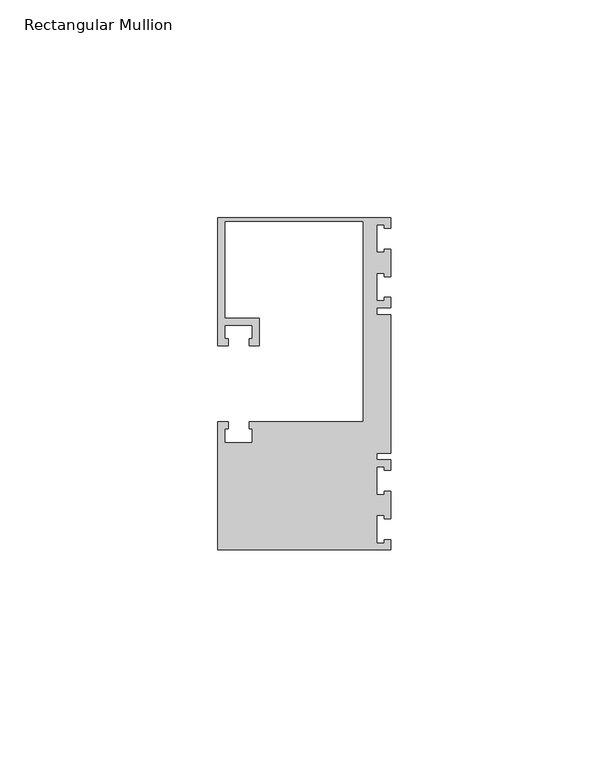
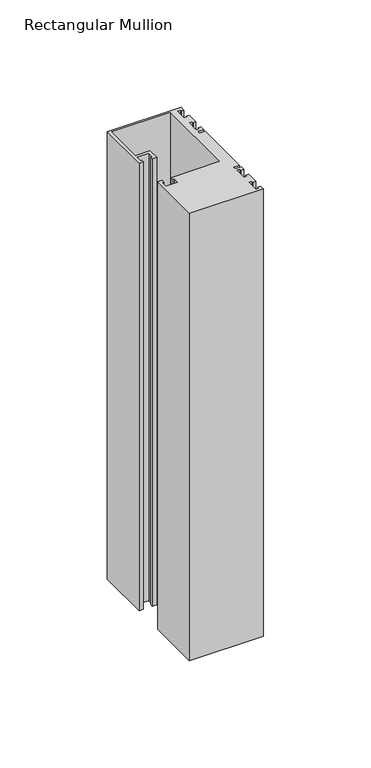
"""IFC4 building model written with IfcOpenShell, lengths in millimetres: member geometry, Rectangular Mullion."""

from ifc_helpers import new_model, si_unit, frame, origin, place, context, project, spatial, polyline, outline, extrude, source, transform, mapped, element, save


def rectangular_mullion_64b4c1c5(model_context):
    return source(origin(), model_context, "Body", "SweptSolid", [
        extrude(outline(polyline([(0.0, 38.1), (0.0, 35.71875), (-1.4999946, 35.71875), (-1.4999946, 36.5125), (-3.175, 36.5125), (-3.175, 30.1625), (-1.4999946, 30.1625), (-1.4999946, 30.95625), (0.0, 30.95625), (0.0, 24.60625), (-1.4999946, 24.60625), (-1.4999946, 25.4), (-3.175, 25.4), (-3.175, 19.05), (-1.4999946, 19.05), (-1.4999946, 19.84375), (0.0, 19.84375), (0.0, 17.4625), (-3.175, 17.4625), (-3.175, 15.875), (0.0, 15.875), (0.0, -15.875), (-3.175, -15.875), (-3.175, -17.4625), (0.0, -17.4625), (0.0, -19.84375), (-1.4999946, -19.84375), (-1.4999946, -19.05), (-3.175, -19.05), (-3.175, -25.4), (-1.4999946, -25.4), (-1.4999946, -24.60625), (0.0, -24.60625), (0.0, -30.95625), (-1.4999946, -30.95625), (-1.4999946, -30.1625), (-3.175, -30.1625), (-3.175, -36.5125), (-1.4999946, -36.5125), (-1.4999946, -35.71875), (0.0, -35.71875), (0.0, -38.1), (-39.6875, -38.1), (-39.6875, -8.73125), (-37.30625, -8.73125), (-37.30625, -10.31875), (-38.1, -10.31875), (-38.1, -13.49375), (-31.75, -13.49375), (-31.75, -10.31875), (-32.54375, -10.31875), (-32.54375, -8.73125), (-6.35, -8.73125), (-6.35, 37.30625), (-38.1, 37.30625), (-38.1, 15.08125), (-30.1625, 15.08125), (-30.1625, 8.73125), (-32.54375, 8.73125), (-32.54375, 10.31875), (-31.75, 10.31875), (-31.75, 13.49375), (-38.1, 13.49375), (-38.1, 10.31875), (-37.30625, 10.31875), (-37.30625, 8.73125), (-39.6875, 8.73125), (-39.6875, 38.1), (0.0, 38.1)])), frame((0.0, 0.0, -254.0), z_axis=(0.0, 0.0, 1.0), x_axis=(1.0, 0.0, 0.0)), (0.0, 0.0, 1.0), 254.0),
    ])


if __name__ == "__main__":
    model = new_model("IFC4")
    model_context = context("Model", 3, world=origin())
    ifc_project = project(units=[si_unit("LENGTHUNIT", "METRE", prefix="MILLI")], contexts=[model_context])
    site = spatial("IfcSite", under=ifc_project)
    building = spatial("IfcBuilding", under=site)
    placement = place(None, origin())
    rectangular_mullion_shape = rectangular_mullion_64b4c1c5(model_context)
    element("IfcMember", 1, ObjectType="Rectangular Mullion", at=placement, inside=building, context=model_context, shape_type="MappedRepresentation", body=[
        mapped(rectangular_mullion_shape, transform((0.0, 0.0, 0.0), x_axis=(1.0, 0.0, 0.0), y_axis=(0.0, 1.0, 0.0), z_axis=(0.0, 0.0, 1.0))),
    ])
    save(model, "model.ifc")
